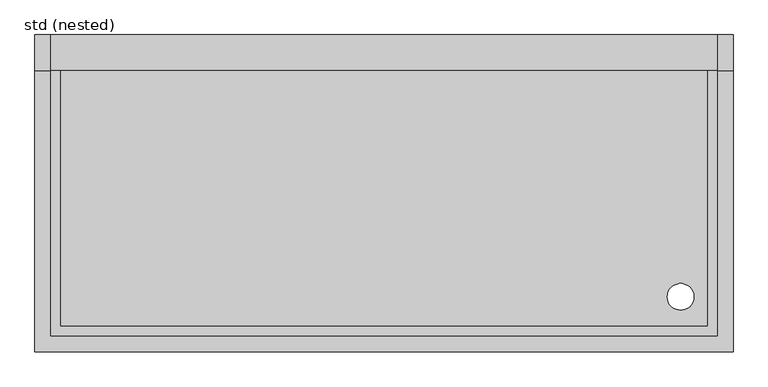
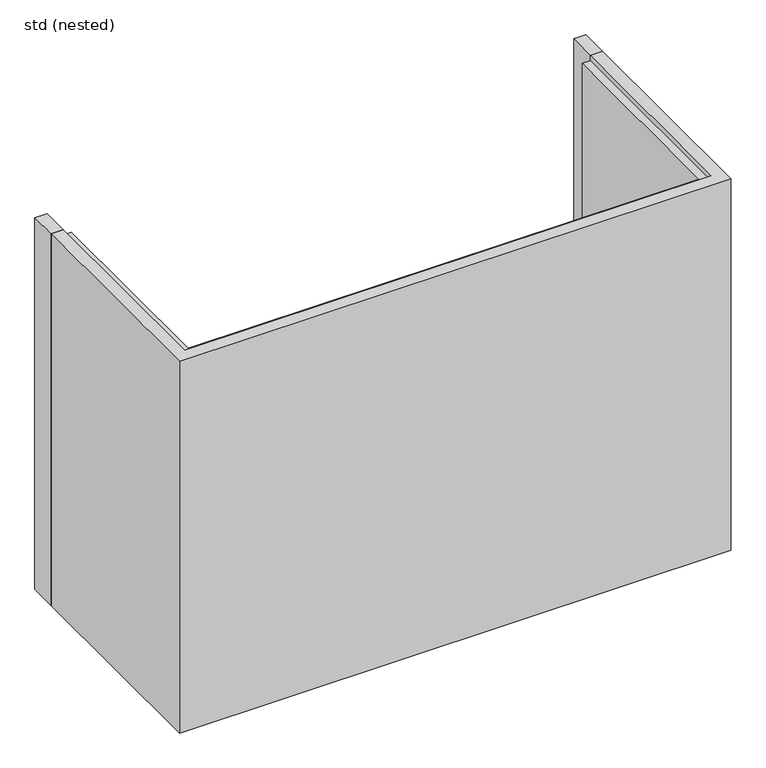
"""IFC4 building model written with IfcOpenShell, lengths in millimetres: proxy geometry, std (nested)."""

from ifc_helpers import new_model, si_unit, frame, origin, place, context, project, spatial, polyline, circle_curve, outline, extrude, source, transform, mapped, element, save
from ifc_brep_helpers import plane_surface, revolved_surface, advanced_brep


def std_nested_3980511a(model_context):
    return source(origin(), model_context, "Body", "SolidModel", [
        extrude(outline(polyline([(0.0, -1364.5), (0.0, 1364.5), (1945.0, 1364.5), (1945.0, 1304.5), (60.0, 1304.5), (60.0, -1304.5), (1945.0, -1304.5), (1945.0, -1364.5), (0.0, -1364.5)])), frame((0.0, -140.0, 0.0), z_axis=(0.0, 1.0, 0.0), x_axis=(0.0, 0.0, 1.0)), (0.0, 0.0, 1.0), 140.0),
        advanced_brep(
        [(-1364.5, -140.0, 1945.0), (-1304.0, -140.0, 1945.0), (-1304.0, -140.0, 1917.0), (-1264.5, -140.0, 1917.0), (-1264.5, -140.0, 145.0), (1264.5, -140.0, 145.0), (1264.5, -140.0, 1917.0), (1304.0, -140.0, 1917.0), (1304.0, -140.0, 1945.0), (1364.5, -140.0, 1945.0), (1364.5, -140.0, 0.0), (-1364.5, -140.0, 0.0), (-1364.5, -1240.0, 0.0), (-1364.5, -1240.0, 1945.0), (1364.5, -1240.0, 1945.0), (1304.0, -1179.5, 1945.0), (-1304.0, -1179.5, 1945.0), (-1304.0, -1179.5, 1917.0), (1304.0, -1179.5, 1917.0), (1264.5, -1140.0, 1917.0), (-1264.5, -1140.0, 1917.0), (-1264.5, -1140.0, 145.0), (1364.5, -1240.0, 0.0), (1264.5, -1140.0, 145.0), (1107.5, -1025.0, 145.0), (1211.5, -1025.0, 145.0), (1107.5, -1025.0, 0.0), (1211.5, -1025.0, 0.0)],
        [
            (0, 1),
            (1, 2),
            (2, 3),
            (3, 4),
            (4, 5),
            (5, 6),
            (6, 7),
            (7, 8),
            (8, 9),
            (9, 10),
            (10, 11),
            (11, 0),
            (11, 12),
            (12, 13),
            (13, 0),
            (13, 14),
            (14, 9),
            (8, 15),
            (15, 16),
            (16, 1),
            (16, 17),
            (17, 2),
            (17, 18),
            (18, 7),
            (6, 19),
            (19, 20),
            (20, 3),
            (20, 21),
            (21, 4),
            (12, 22),
            (22, 14),
            (15, 18),
            (19, 23),
            (23, 21),
            (22, 10),
            (5, 23),
            (24, 25, circle_curve(frame((1159.5, -1025.0, 145.0), z_axis=(0.0, 0.0, -1.0), x_axis=(1.0, 0.0, 0.0)), 52.0)),
            (25, 24, circle_curve(frame((1159.5, -1025.0, 145.0), z_axis=(0.0, 0.0, -1.0), x_axis=(1.0, 0.0, 0.0)), 52.0)),
            (26, 27, circle_curve(frame((1159.5, -1025.0, 0.0), z_axis=(0.0, 0.0, 1.0), x_axis=(1.0, 0.0, 0.0)), 52.0)),
            (27, 26, circle_curve(frame((1159.5, -1025.0, 0.0), z_axis=(0.0, 0.0, 1.0), x_axis=(1.0, 0.0, 0.0)), 52.0)),
            (24, 26),
            (27, 25),
        ],
        [
            plane_surface(frame((-1364.5, -140.0, 0.0), z_axis=(0.0, 1.0, 0.0), x_axis=(0.0, 0.0, 1.0))),
            plane_surface(frame((-1364.5, -140.0, 145.0), z_axis=(-1.0, 0.0, 0.0), x_axis=(0.0, -1.0, 0.0))),
            plane_surface(frame((-1364.5, -140.0, 1945.0), z_axis=(0.0, 0.0, 1.0), x_axis=(0.0, -1.0, 0.0))),
            plane_surface(frame((-1304.0, -140.0, 1945.0), z_axis=(1.0, 0.0, 0.0), x_axis=(0.0, -1.0, 0.0))),
            plane_surface(frame((-1304.0, -140.0, 1917.0), z_axis=(0.0, 0.0, 1.0), x_axis=(0.0, -1.0, 0.0))),
            plane_surface(frame((-1264.5, -140.0, 1917.0), z_axis=(1.0, 0.0, 0.0), x_axis=(0.0, -1.0, 0.0))),
            plane_surface(frame((-1364.5, -1240.0, 145.0), z_axis=(0.0, -1.0, 0.0), x_axis=(1.0, 0.0, 0.0))),
            plane_surface(frame((-1304.0, -1179.5, 1945.0), z_axis=(0.0, 1.0, 0.0), x_axis=(1.0, 0.0, 0.0))),
            plane_surface(frame((-1264.5, -1140.0, 1917.0), z_axis=(0.0, 1.0, 0.0), x_axis=(1.0, 0.0, 0.0))),
            plane_surface(frame((1364.5, -1240.0, 145.0), z_axis=(1.0, 0.0, 0.0), x_axis=(0.0, 1.0, 0.0))),
            plane_surface(frame((1304.0, -1179.5, 1945.0), z_axis=(-1.0, 0.0, 0.0), x_axis=(0.0, 1.0, 0.0))),
            plane_surface(frame((1264.5, -1140.0, 1917.0), z_axis=(-1.0, 0.0, 0.0), x_axis=(0.0, 1.0, 0.0))),
            plane_surface(frame((-1364.5, -140.0, 145.0), z_axis=(0.0, 0.0, 1.0), x_axis=(-1.0, 0.0, 0.0))),
            plane_surface(frame((-1364.5, -140.0, 0.0), z_axis=(0.0, 0.0, -1.0), x_axis=(1.0, 0.0, 0.0))),
            revolved_surface(polyline([(1211.5, -1025.0, 0.0), (1211.5, -1025.0, 145.0)]), (1159.5, -1025.0, 0.0), (0.0, 0.0, -1.0)),
        ],
        [
            (0, [[1, 2, 3, 4, 5, 6, 7, 8, 9, 10, 11, 12]]),
            (1, [[-12, 13, 14, 15]]),
            (2, [[-1, -15, 16, 17, -9, 18, 19, 20]]),
            (3, [[-2, -20, 21, 22]]),
            (4, [[-3, -22, 23, 24, -7, 25, 26, 27]]),
            (5, [[-4, -27, 28, 29]]),
            (6, [[-14, 30, 31, -16]]),
            (7, [[-19, 32, -23, -21]]),
            (8, [[-26, 33, 34, -28]]),
            (9, [[-10, -17, -31, 35]]),
            (10, [[-18, -8, -24, -32]]),
            (11, [[-25, -6, 36, -33]]),
            (12, [[-5, -29, -34, -36], [37, 38]]),
            (13, [[-35, -30, -13, -11], [39, 40]]),
            (14, [[-37, 41, -40, 42]]),
            (14, [[-38, -42, -39, -41]]),
        ],
    ),
    ])


if __name__ == "__main__":
    model = new_model("IFC4")
    model_context = context("Model", 3, world=origin())
    ifc_project = project(units=[si_unit("LENGTHUNIT", "METRE", prefix="MILLI")], contexts=[model_context])
    site = spatial("IfcSite", under=ifc_project)
    building = spatial("IfcBuilding", under=site)
    placement = place(None, origin())
    std_nested_shape = std_nested_3980511a(model_context)
    element("IfcBuildingElementProxy", 1, Name="std (nested)", ObjectType="std (nested)", at=placement, inside=building, context=model_context, shape_type="MappedRepresentation", body=[
        mapped(std_nested_shape, transform((0.0, 0.0, 0.0), x_axis=(1.0, 0.0, 0.0), y_axis=(0.0, 1.0, 0.0), z_axis=(0.0, 0.0, 1.0))),
    ])
    save(model, "model.ifc")
